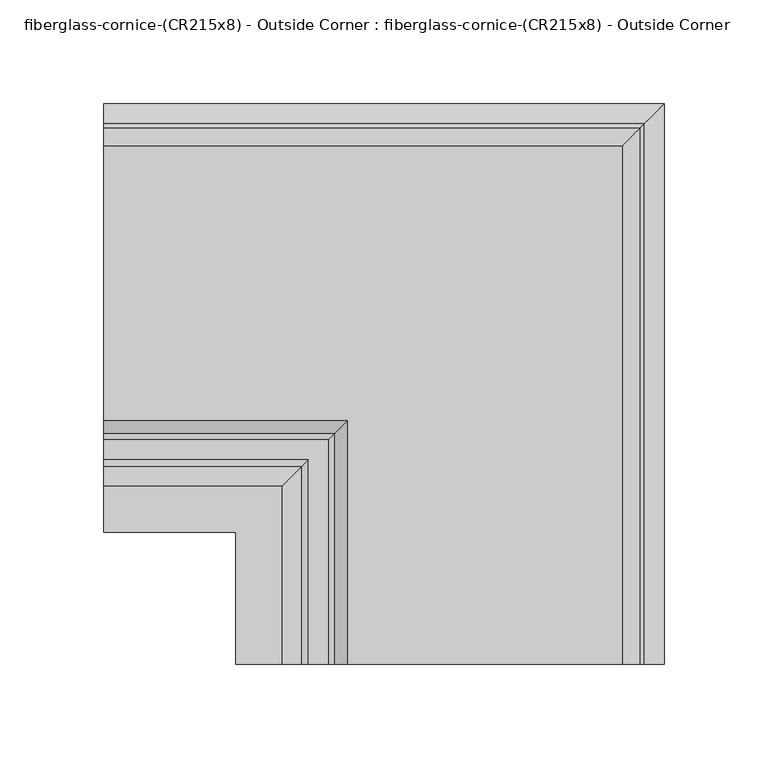
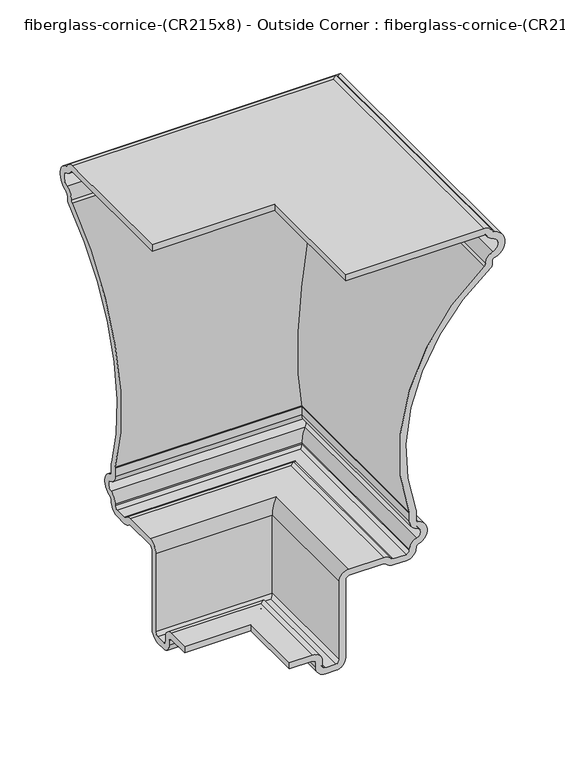
"""IFC4 building model written with IfcOpenShell, lengths in millimetres: furniture geometry, fiberglass-cornice-(CR215x8) - Outside Corner : fiberglass-cornice-(CR215x8) - Outside Corner."""

from ifc_helpers import new_model, si_unit, frame, origin, place, context, project, spatial, polyline, circle_curve, ellipse_curve, source, transform, mapped, element, save
from ifc_brep_helpers import plane_surface, cylinder_surface, revolved_surface, advanced_brep


def fiberglass_cornice_cr215x8_outside_corner_fiberglass_cornice_a7be8b15(model_context):
    return source(origin(), model_context, "Body", "AdvancedBrep", [
        advanced_brep(
        [(-196.9488213, 288.0664507, 330.1999904), (-196.9488213, 296.5068607, 325.0891838), (-196.9488213, 298.4826795, 323.4980719), (-196.9488213, 298.4826795, 297.677331), (-196.9488213, 296.1453307, 294.6148214), (-196.9488213, 296.1453307, 290.8692838), (-196.9488213, 294.8166104, 288.2862862), (-196.9488213, 223.0000766, 68.5084098), (-196.9488213, 223.1598159, 67.5140115), (-196.9488213, 223.1598159, 58.2311008), (-196.9488213, 225.5074249, 55.1658033), (-196.9488213, 225.5074249, 32.9172717), (-196.9488213, 223.1598159, 29.8519741), (-196.9488213, 223.1003256, 28.2040064), (-196.9488213, 213.6348159, 19.7419033), (-196.9488213, 201.5677715, 19.7419033), (-196.9488213, 194.4194595, 22.9718846), (-196.9488213, 192.0366888, 24.048545), (-196.9488213, 158.8834412, 24.048545), (-196.9488213, 155.7084412, 20.873545), (-196.9488213, 155.7084412, -58.304862), (-196.9488213, 146.1834412, -67.829862), (-196.9488213, 136.525, -67.829862), (-196.9488213, 127.0, -58.304862), (-196.9488213, 127.0, -53.9258182), (-196.9488213, 123.825, -50.7508182), (-196.9488213, 101.6, -50.7508182), (-196.9488213, 101.6, -44.4008182), (-196.9488213, 123.825, -44.4008182), (-196.9488213, 133.35, -53.9258182), (-196.9488213, 133.35, -58.304862), (-196.9488213, 136.525, -61.479862), (-196.9488213, 146.1834412, -61.479862), (-196.9488213, 149.3584412, -58.304862), (-196.9488213, 149.3584412, 20.873545), (-196.9488213, 158.8834412, 30.398545), (-196.9488213, 192.0366888, 30.398545), (-196.9488213, 199.1850008, 27.1685637), (-196.9488213, 201.5677715, 26.0919033), (-196.9488213, 213.6348159, 26.0919033), (-196.9488213, 216.7459462, 28.6332686), (-196.9488213, 216.8098159, 29.8519741), (-196.9488213, 223.8526428, 39.0478668), (-196.9488213, 223.8526428, 49.0352082), (-196.9488213, 216.8098159, 58.2311008), (-196.9488213, 216.8098159, 66.5021977), (-196.9488213, 216.6550347, 67.4814337), (-196.9488213, 288.5177042, 291.5576289), (-196.9488213, 289.802836, 294.2367745), (-196.9488213, 296.8073771, 303.8023503), (-196.9488213, 296.8073771, 317.3730526), (-196.9488213, 290.8799207, 322.1463882), (-196.9488213, 288.0664507, 323.8499904), (-196.9488213, 155.7084412, 323.8499904), (-196.9488213, 155.7084412, 330.1999904), (53.1168481, 38.0007813, 330.1999904), (-79.2411614, 38.0007813, 330.1999904), (-79.2411614, 38.0007813, 323.8499904), (53.1168481, 38.0007813, 323.8499904), (55.9303181, 38.0007813, 322.1463882), (61.8577745, 38.0007813, 317.3730526), (61.8577745, 38.0007813, 303.8023503), (54.8532334, 38.0007813, 294.2367745), (53.5681016, 38.0007813, 291.5576289), (-18.2945679, 38.0007813, 67.4814337), (-18.1397867, 38.0007813, 66.5021977), (-18.1397867, 38.0007813, 58.2311008), (-11.0969598, 38.0007813, 49.0352082), (-11.0969598, 38.0007813, 39.0478668), (-18.1397867, 38.0007813, 29.8519741), (-18.2036564, 38.0007813, 28.6332686), (-21.3147867, 38.0007813, 26.0919033), (-33.3818311, 38.0007813, 26.0919033), (-35.7646018, 38.0007813, 27.1685637), (-42.9129138, 38.0007813, 30.398545), (-76.0661614, 38.0007813, 30.398545), (-85.5911614, 38.0007813, 20.873545), (-85.5911614, 38.0007813, -58.304862), (-88.7661614, 38.0007813, -61.479862), (-98.4246026, 38.0007813, -61.479862), (-101.5996026, 38.0007813, -58.304862), (-101.5996026, 38.0007813, -53.9258182), (-111.1246026, 38.0007813, -44.4008182), (-133.3496026, 38.0007813, -44.4008182), (-133.3496026, 38.0007813, -50.7508182), (-111.1246026, 38.0007813, -50.7508182), (-107.9496026, 38.0007813, -53.9258182), (-107.9496026, 38.0007813, -58.304862), (-98.4246026, 38.0007813, -67.829862), (-88.7661614, 38.0007813, -67.829862), (-79.2411614, 38.0007813, -58.304862), (-79.2411614, 38.0007813, 20.873545), (-76.0661614, 38.0007813, 24.048545), (-42.9129138, 38.0007813, 24.048545), (-40.5301431, 38.0007813, 22.9718846), (-33.3818311, 38.0007813, 19.7419033), (-21.3147867, 38.0007813, 19.7419033), (-11.849277, 38.0007813, 28.2040064), (-11.7897867, 38.0007813, 29.8519741), (-9.4421777, 38.0007813, 32.9172717), (-9.4421777, 38.0007813, 55.1658033), (-11.7897867, 38.0007813, 58.2311008), (-11.7897867, 38.0007813, 67.5140115), (-11.949526, 38.0007813, 68.5084098), (59.8670078, 38.0007813, 288.2862862), (61.1957281, 38.0007813, 290.8692838), (61.1957281, 38.0007813, 294.6148214), (63.5330769, 38.0007813, 297.677331), (63.5330769, 38.0007813, 323.4980719), (61.5572581, 38.0007813, 325.0891838), (53.1168481, 288.0664507, 330.1999904), (61.5572581, 296.5068607, 325.0891838), (63.5330769, 298.4826795, 323.4980719), (63.5330769, 298.4826795, 297.677331), (61.1957281, 296.1453307, 294.6148214), (61.1957281, 296.1453307, 290.8692838), (59.8670078, 294.8166104, 288.2862862), (-11.949526, 223.0000766, 68.5084098), (-11.7897867, 223.1598159, 67.5140115), (-11.7897867, 223.1598159, 58.2311008), (-9.4421777, 225.5074249, 55.1658033), (-9.4421777, 225.5074249, 32.9172717), (-11.7897867, 223.1598159, 29.8519741), (-11.849277, 223.1003256, 28.2040064), (-21.3147867, 213.6348159, 19.7419033), (-33.3818311, 201.5677715, 19.7419033), (-40.5301431, 194.4194595, 22.9718846), (-42.9129138, 192.0366888, 24.048545), (-76.0661614, 158.8834412, 24.048545), (-79.2411614, 155.7084412, 20.873545), (-79.2411614, 155.7084412, -58.304862), (-88.7661614, 146.1834412, -67.829862), (-98.4246026, 136.525, -67.829862), (-107.9496026, 127.0, -58.304862), (-107.9496026, 127.0, -53.9258182), (-111.1246026, 123.825, -50.7508182), (-133.3496026, 101.6, -50.7508182), (-133.3496026, 101.6, -44.4008182), (-111.1246026, 123.825, -44.4008182), (-101.5996026, 133.35, -53.9258182), (-101.5996026, 133.35, -58.304862), (-98.4246026, 136.525, -61.479862), (-88.7661614, 146.1834412, -61.479862), (-85.5911614, 149.3584412, -58.304862), (-85.5911614, 149.3584412, 20.873545), (-76.0661614, 158.8834412, 30.398545), (-42.9129138, 192.0366888, 30.398545), (-35.7646018, 199.1850008, 27.1685637), (-33.3818311, 201.5677715, 26.0919033), (-21.3147867, 213.6348159, 26.0919033), (-18.2036564, 216.7459462, 28.6332686), (-18.1397867, 216.8098159, 29.8519741), (-11.0969598, 223.8526428, 39.0478668), (-11.0969598, 223.8526428, 49.0352082), (-18.1397867, 216.8098159, 58.2311008), (-18.1397867, 216.8098159, 66.5021977), (-18.2945679, 216.6550347, 67.4814337), (53.5681016, 288.5177042, 291.5576289), (54.8532334, 289.802836, 294.2367745), (61.8577745, 296.8073771, 303.8023503), (61.8577745, 296.8073771, 317.3730526), (55.9303181, 290.8799207, 322.1463882), (53.1168481, 288.0664507, 323.8499904), (-79.2411614, 155.7084412, 323.8499904), (-79.2411614, 155.7084412, 330.1999904)],
        [
            (0, 1, circle_curve(frame((-196.9488213, 288.0664507, 320.6749904), z_axis=(-1.0, 0.0, 0.0), x_axis=(0.0, 1.0, 0.0)), 9.525)),
            (1, 2, circle_curve(frame((-196.9488213, 299.3203307, 326.5605816), z_axis=(1.0, 0.0, 0.0), x_axis=(0.0, 1.0, 0.0)), 3.175)),
            (2, 3, circle_curve(frame((-196.9488213, 294.9514621, 310.5877015), z_axis=(-1.0, 0.0, 0.0), x_axis=(0.0, 1.0, 0.0)), 13.3845867)),
            (3, 4, circle_curve(frame((-196.9488213, 299.3203307, 294.6148214), z_axis=(1.0, 0.0, 0.0), x_axis=(0.0, 1.0, 0.0)), 3.175)),
            (4, 5),
            (5, 6, circle_curve(frame((-196.9488213, 292.9703307, 290.8692838), z_axis=(-1.0, 0.0, 0.0), x_axis=(0.0, 1.0, 0.0)), 3.175)),
            (6, 7, circle_curve(frame((-196.9488213, 408.2430896, 129.5994252), z_axis=(1.0, 0.0, 0.0), x_axis=(0.0, 1.0, 0.0)), 195.0566226)),
            (7, 8, circle_curve(frame((-196.9488213, 219.9848159, 67.5140115), z_axis=(-1.0, 0.0, 0.0), x_axis=(0.0, 1.0, 0.0)), 3.175)),
            (8, 9),
            (9, 10, circle_curve(frame((-196.9488213, 226.3348159, 58.2311008), z_axis=(1.0, 0.0, 0.0), x_axis=(0.0, 1.0, 0.0)), 3.175)),
            (10, 11, circle_curve(frame((-196.9488213, 222.5047417, 44.0415375), z_axis=(-1.0, 0.0, 0.0), x_axis=(0.0, 1.0, 0.0)), 11.5223867)),
            (11, 12, circle_curve(frame((-196.9488213, 226.3348159, 29.8519741), z_axis=(1.0, 0.0, 0.0), x_axis=(0.0, 1.0, 0.0)), 3.175)),
            (12, 13),
            (13, 14, circle_curve(frame((-196.9488213, 213.6348159, 29.2669033), z_axis=(-1.0, 0.0, 0.0), x_axis=(0.0, 1.0, 0.0)), 9.525)),
            (14, 15),
            (15, 16, circle_curve(frame((-196.9488213, 201.5677715, 29.2669033), z_axis=(-1.0, 0.0, 0.0), x_axis=(0.0, 1.0, 0.0)), 9.525)),
            (16, 17, circle_curve(frame((-196.9488213, 192.0366888, 20.873545), z_axis=(1.0, 0.0, 0.0), x_axis=(0.0, 1.0, 0.0)), 3.175)),
            (17, 18),
            (18, 19, circle_curve(frame((-196.9488213, 158.8834412, 20.873545), z_axis=(1.0, 0.0, 0.0), x_axis=(0.0, 1.0, 0.0)), 3.175)),
            (19, 20),
            (20, 21, circle_curve(frame((-196.9488213, 146.1834412, -58.304862), z_axis=(-1.0, 0.0, 0.0), x_axis=(0.0, 1.0, 0.0)), 9.525)),
            (21, 22),
            (22, 23, circle_curve(frame((-196.9488213, 136.525, -58.304862), z_axis=(-1.0, 0.0, 0.0), x_axis=(0.0, 1.0, 0.0)), 9.525)),
            (23, 24),
            (24, 25, circle_curve(frame((-196.9488213, 123.825, -53.9258182), z_axis=(1.0, 0.0, 0.0), x_axis=(0.0, 1.0, 0.0)), 3.175)),
            (25, 26),
            (26, 27),
            (27, 28),
            (28, 29, circle_curve(frame((-196.9488213, 123.825, -53.9258182), z_axis=(-1.0, 0.0, 0.0), x_axis=(0.0, 1.0, 0.0)), 9.525)),
            (29, 30),
            (30, 31, circle_curve(frame((-196.9488213, 136.525, -58.304862), z_axis=(1.0, 0.0, 0.0), x_axis=(0.0, 1.0, 0.0)), 3.175)),
            (31, 32),
            (32, 33, circle_curve(frame((-196.9488213, 146.1834412, -58.304862), z_axis=(1.0, 0.0, 0.0), x_axis=(0.0, 1.0, 0.0)), 3.175)),
            (33, 34),
            (34, 35, circle_curve(frame((-196.9488213, 158.8834412, 20.873545), z_axis=(-1.0, 0.0, 0.0), x_axis=(0.0, 1.0, 0.0)), 9.525)),
            (35, 36),
            (36, 37, circle_curve(frame((-196.9488213, 192.0366888, 20.873545), z_axis=(-1.0, 0.0, 0.0), x_axis=(0.0, 1.0, 0.0)), 9.525)),
            (37, 38, circle_curve(frame((-196.9488213, 201.5677715, 29.2669033), z_axis=(1.0, 0.0, 0.0), x_axis=(0.0, 1.0, 0.0)), 3.175)),
            (38, 39),
            (39, 40, circle_curve(frame((-196.9488213, 213.6348159, 29.2669033), z_axis=(1.0, 0.0, 0.0), x_axis=(0.0, 1.0, 0.0)), 3.175)),
            (40, 41),
            (41, 42, circle_curve(frame((-196.9488213, 226.3348159, 29.8519741), z_axis=(-1.0, 0.0, 0.0), x_axis=(0.0, 1.0, 0.0)), 9.525)),
            (42, 43, circle_curve(frame((-196.9488213, 222.5047417, 44.0415375), z_axis=(1.0, 0.0, 0.0), x_axis=(0.0, 1.0, 0.0)), 5.1723867)),
            (43, 44, circle_curve(frame((-196.9488213, 226.3348159, 58.2311008), z_axis=(-1.0, 0.0, 0.0), x_axis=(0.0, 1.0, 0.0)), 9.525)),
            (44, 45),
            (45, 46, circle_curve(frame((-196.9488213, 213.6348159, 66.5021977), z_axis=(1.0, 0.0, 0.0), x_axis=(0.0, 1.0, 0.0)), 3.175)),
            (46, 47, circle_curve(frame((-196.9488213, 408.2430896, 129.5994252), z_axis=(-1.0, 0.0, 0.0), x_axis=(0.0, 1.0, 0.0)), 201.4066226)),
            (47, 48, circle_curve(frame((-196.9488213, 286.6303378, 294.1107589), z_axis=(1.0, 0.0, 0.0), x_axis=(0.0, 1.0, 0.0)), 3.175)),
            (48, 49, circle_curve(frame((-196.9488213, 299.3203307, 294.6148214), z_axis=(-1.0, 0.0, 0.0), x_axis=(0.0, 1.0, 0.0)), 9.525)),
            (49, 50, circle_curve(frame((-196.9488213, 294.9514621, 310.5877015), z_axis=(1.0, 0.0, 0.0), x_axis=(0.0, 1.0, 0.0)), 7.0345867)),
            (50, 51, circle_curve(frame((-196.9488213, 299.3203307, 326.5605816), z_axis=(-1.0, 0.0, 0.0), x_axis=(0.0, 1.0, 0.0)), 9.525)),
            (51, 52, circle_curve(frame((-196.9488213, 288.0664507, 320.6749904), z_axis=(1.0, 0.0, 0.0), x_axis=(0.0, 1.0, 0.0)), 3.175)),
            (52, 53),
            (53, 54),
            (54, 0),
            (55, 56),
            (56, 57),
            (57, 58),
            (58, 59, circle_curve(frame((53.1168481, 38.0007813, 320.6749904), z_axis=(0.0, 1.0, 0.0), x_axis=(1.0, 0.0, 0.0)), 3.175)),
            (59, 60, circle_curve(frame((64.3707281, 38.0007813, 326.5605816), z_axis=(0.0, -1.0, 0.0), x_axis=(1.0, 0.0, 0.0)), 9.525)),
            (60, 61, circle_curve(frame((60.0018595, 38.0007813, 310.5877015), z_axis=(0.0, 1.0, 0.0), x_axis=(1.0, 0.0, 0.0)), 7.0345867)),
            (61, 62, circle_curve(frame((64.3707281, 38.0007813, 294.6148214), z_axis=(0.0, -1.0, 0.0), x_axis=(1.0, 0.0, 0.0)), 9.525)),
            (62, 63, circle_curve(frame((51.6807352, 38.0007813, 294.1107589), z_axis=(0.0, 1.0, 0.0), x_axis=(1.0, 0.0, 0.0)), 3.175)),
            (63, 64, circle_curve(frame((173.293487, 38.0007813, 129.5994252), z_axis=(0.0, -1.0, 0.0), x_axis=(1.0, 0.0, 0.0)), 201.4066226)),
            (64, 65, circle_curve(frame((-21.3147867, 38.0007813, 66.5021977), z_axis=(0.0, 1.0, 0.0), x_axis=(1.0, 0.0, 0.0)), 3.175)),
            (65, 66),
            (66, 67, circle_curve(frame((-8.6147867, 38.0007813, 58.2311008), z_axis=(0.0, -1.0, 0.0), x_axis=(1.0, 0.0, 0.0)), 9.525)),
            (67, 68, circle_curve(frame((-12.4448609, 38.0007813, 44.0415375), z_axis=(0.0, 1.0, 0.0), x_axis=(1.0, 0.0, 0.0)), 5.1723867)),
            (68, 69, circle_curve(frame((-8.6147867, 38.0007813, 29.8519741), z_axis=(0.0, -1.0, 0.0), x_axis=(1.0, 0.0, 0.0)), 9.525)),
            (69, 70),
            (70, 71, circle_curve(frame((-21.3147867, 38.0007813, 29.2669033), z_axis=(0.0, 1.0, 0.0), x_axis=(1.0, 0.0, 0.0)), 3.175)),
            (71, 72),
            (72, 73, circle_curve(frame((-33.3818311, 38.0007813, 29.2669033), z_axis=(0.0, 1.0, 0.0), x_axis=(1.0, 0.0, 0.0)), 3.175)),
            (73, 74, circle_curve(frame((-42.9129138, 38.0007813, 20.873545), z_axis=(0.0, -1.0, 0.0), x_axis=(1.0, 0.0, 0.0)), 9.525)),
            (74, 75),
            (75, 76, circle_curve(frame((-76.0661614, 38.0007813, 20.873545), z_axis=(0.0, -1.0, 0.0), x_axis=(1.0, 0.0, 0.0)), 9.525)),
            (76, 77),
            (77, 78, circle_curve(frame((-88.7661614, 38.0007813, -58.304862), z_axis=(0.0, 1.0, 0.0), x_axis=(1.0, 0.0, 0.0)), 3.175)),
            (78, 79),
            (79, 80, circle_curve(frame((-98.4246026, 38.0007813, -58.304862), z_axis=(0.0, 1.0, 0.0), x_axis=(1.0, 0.0, 0.0)), 3.175)),
            (80, 81),
            (81, 82, circle_curve(frame((-111.1246026, 38.0007813, -53.9258182), z_axis=(0.0, -1.0, 0.0), x_axis=(1.0, 0.0, 0.0)), 9.525)),
            (82, 83),
            (83, 84),
            (84, 85),
            (85, 86, circle_curve(frame((-111.1246026, 38.0007813, -53.9258182), z_axis=(0.0, 1.0, 0.0), x_axis=(1.0, 0.0, 0.0)), 3.175)),
            (86, 87),
            (87, 88, circle_curve(frame((-98.4246026, 38.0007813, -58.304862), z_axis=(0.0, -1.0, 0.0), x_axis=(1.0, 0.0, 0.0)), 9.525)),
            (88, 89),
            (89, 90, circle_curve(frame((-88.7661614, 38.0007813, -58.304862), z_axis=(0.0, -1.0, 0.0), x_axis=(1.0, 0.0, 0.0)), 9.525)),
            (90, 91),
            (91, 92, circle_curve(frame((-76.0661614, 38.0007813, 20.873545), z_axis=(0.0, 1.0, 0.0), x_axis=(1.0, 0.0, 0.0)), 3.175)),
            (92, 93),
            (93, 94, circle_curve(frame((-42.9129138, 38.0007813, 20.873545), z_axis=(0.0, 1.0, 0.0), x_axis=(1.0, 0.0, 0.0)), 3.175)),
            (94, 95, circle_curve(frame((-33.3818311, 38.0007813, 29.2669033), z_axis=(0.0, -1.0, 0.0), x_axis=(1.0, 0.0, 0.0)), 9.525)),
            (95, 96),
            (96, 97, circle_curve(frame((-21.3147867, 38.0007813, 29.2669033), z_axis=(0.0, -1.0, 0.0), x_axis=(1.0, 0.0, 0.0)), 9.525)),
            (97, 98),
            (98, 99, circle_curve(frame((-8.6147867, 38.0007813, 29.8519741), z_axis=(0.0, 1.0, 0.0), x_axis=(1.0, 0.0, 0.0)), 3.175)),
            (99, 100, circle_curve(frame((-12.4448609, 38.0007813, 44.0415375), z_axis=(0.0, -1.0, 0.0), x_axis=(1.0, 0.0, 0.0)), 11.5223867)),
            (100, 101, circle_curve(frame((-8.6147867, 38.0007813, 58.2311008), z_axis=(0.0, 1.0, 0.0), x_axis=(1.0, 0.0, 0.0)), 3.175)),
            (101, 102),
            (102, 103, circle_curve(frame((-14.9647867, 38.0007813, 67.5140115), z_axis=(0.0, -1.0, 0.0), x_axis=(1.0, 0.0, 0.0)), 3.175)),
            (103, 104, circle_curve(frame((173.293487, 38.0007813, 129.5994252), z_axis=(0.0, 1.0, 0.0), x_axis=(1.0, 0.0, 0.0)), 195.0566226)),
            (104, 105, circle_curve(frame((58.0207281, 38.0007813, 290.8692838), z_axis=(0.0, -1.0, 0.0), x_axis=(1.0, 0.0, 0.0)), 3.175)),
            (105, 106),
            (106, 107, circle_curve(frame((64.3707281, 38.0007813, 294.6148214), z_axis=(0.0, 1.0, 0.0), x_axis=(1.0, 0.0, 0.0)), 3.175)),
            (107, 108, circle_curve(frame((60.0018595, 38.0007813, 310.5877015), z_axis=(0.0, -1.0, 0.0), x_axis=(1.0, 0.0, 0.0)), 13.3845867)),
            (108, 109, circle_curve(frame((64.3707281, 38.0007813, 326.5605816), z_axis=(0.0, 1.0, 0.0), x_axis=(1.0, 0.0, 0.0)), 3.175)),
            (109, 55, circle_curve(frame((53.1168481, 38.0007813, 320.6749904), z_axis=(0.0, -1.0, 0.0), x_axis=(1.0, 0.0, 0.0)), 9.525)),
            (0, 110),
            (110, 111, ellipse_curve(frame((53.1168481, 288.0664507, 320.6749904), z_axis=(-0.7071067811865563, 0.7071067811865387, 0.0), x_axis=(-0.7071067811865387, -0.7071067811865565, 0.0)), 13.4703842, 9.525)),
            (111, 1),
            (111, 112, ellipse_curve(frame((64.3707281, 299.3203307, 326.5605816), z_axis=(0.7071067811865563, -0.7071067811865387, 0.0), x_axis=(0.7071067811865387, 0.7071067811865565, 0.0)), 4.4901281, 3.175)),
            (112, 2),
            (112, 113, ellipse_curve(frame((60.0018595, 294.9514621, 310.5877015), z_axis=(-0.7071067811865563, 0.7071067811865387, 0.0), x_axis=(-0.7071067811865387, -0.7071067811865565, 0.0)), 18.9286641, 13.3845867)),
            (113, 3),
            (113, 114, ellipse_curve(frame((64.3707281, 299.3203307, 294.6148214), z_axis=(0.7071067811865563, -0.7071067811865387, 0.0), x_axis=(0.7071067811865387, 0.7071067811865565, 0.0)), 4.4901281, 3.175)),
            (114, 4),
            (114, 115),
            (115, 5),
            (115, 116, ellipse_curve(frame((58.0207281, 292.9703307, 290.8692838), z_axis=(-0.7071067811865563, 0.7071067811865387, 0.0), x_axis=(-0.7071067811865387, -0.7071067811865565, 0.0)), 4.4901281, 3.175)),
            (116, 6),
            (116, 117, ellipse_curve(frame((173.293487, 408.2430896, 129.5994252), z_axis=(0.7071067811865563, -0.7071067811865387, 0.0), x_axis=(0.7071067811865387, 0.7071067811865565, 0.0)), 275.8517212, 195.0566226)),
            (117, 7),
            (117, 118, ellipse_curve(frame((-14.9647867, 219.9848159, 67.5140115), z_axis=(-0.7071067811865563, 0.7071067811865387, 0.0), x_axis=(-0.7071067811865387, -0.7071067811865565, 0.0)), 4.4901281, 3.175)),
            (118, 8),
            (118, 119),
            (119, 9),
            (119, 120, ellipse_curve(frame((-8.6147867, 226.3348159, 58.2311008), z_axis=(0.7071067811865563, -0.7071067811865387, 0.0), x_axis=(0.7071067811865387, 0.7071067811865565, 0.0)), 4.4901281, 3.175)),
            (120, 10),
            (120, 121, ellipse_curve(frame((-12.4448609, 222.5047417, 44.0415375), z_axis=(-0.7071067811865563, 0.7071067811865387, 0.0), x_axis=(-0.7071067811865387, -0.7071067811865565, 0.0)), 16.2951156, 11.5223867)),
            (121, 11),
            (121, 122, ellipse_curve(frame((-8.6147867, 226.3348159, 29.8519741), z_axis=(0.7071067811865563, -0.7071067811865387, 0.0), x_axis=(0.7071067811865387, 0.7071067811865565, 0.0)), 4.4901281, 3.175)),
            (122, 12),
            (122, 123),
            (123, 13),
            (123, 124, ellipse_curve(frame((-21.3147867, 213.6348159, 29.2669033), z_axis=(-0.7071067811865563, 0.7071067811865387, 0.0), x_axis=(-0.7071067811865387, -0.7071067811865565, 0.0)), 13.4703842, 9.525)),
            (124, 14),
            (124, 96),
            (95, 125),
            (125, 15),
            (125, 126, ellipse_curve(frame((-33.3818311, 201.5677715, 29.2669033), z_axis=(-0.7071067811865563, 0.7071067811865387, 0.0), x_axis=(-0.7071067811865387, -0.7071067811865565, 0.0)), 13.4703842, 9.525)),
            (126, 16),
            (126, 127, ellipse_curve(frame((-42.9129138, 192.0366888, 20.873545), z_axis=(0.7071067811865563, -0.7071067811865387, 0.0), x_axis=(0.7071067811865387, 0.7071067811865565, 0.0)), 4.4901281, 3.175)),
            (127, 17),
            (127, 93),
            (92, 128),
            (128, 18),
            (128, 129, ellipse_curve(frame((-76.0661614, 158.8834412, 20.873545), z_axis=(0.7071067811865563, -0.7071067811865387, 0.0), x_axis=(0.7071067811865387, 0.7071067811865565, 0.0)), 4.4901281, 3.175)),
            (129, 19),
            (129, 130),
            (130, 20),
            (130, 131, ellipse_curve(frame((-88.7661614, 146.1834412, -58.304862), z_axis=(-0.7071067811865563, 0.7071067811865387, 0.0), x_axis=(-0.7071067811865387, -0.7071067811865565, 0.0)), 13.4703842, 9.525)),
            (131, 21),
            (131, 89),
            (88, 132),
            (132, 22),
            (132, 133, ellipse_curve(frame((-98.4246026, 136.525, -58.304862), z_axis=(-0.7071067811865563, 0.7071067811865387, 0.0), x_axis=(-0.7071067811865387, -0.7071067811865565, 0.0)), 13.4703842, 9.525)),
            (133, 23),
            (133, 134),
            (134, 24),
            (134, 135, ellipse_curve(frame((-111.1246026, 123.825, -53.9258182), z_axis=(0.7071067811865563, -0.7071067811865387, 0.0), x_axis=(0.7071067811865387, 0.7071067811865565, 0.0)), 4.4901281, 3.175)),
            (135, 25),
            (135, 85),
            (84, 136),
            (136, 26),
            (136, 137),
            (137, 27),
            (137, 83),
            (82, 138),
            (138, 28),
            (138, 139, ellipse_curve(frame((-111.1246026, 123.825, -53.9258182), z_axis=(-0.7071067811865563, 0.7071067811865387, 0.0), x_axis=(-0.7071067811865387, -0.7071067811865565, 0.0)), 13.4703842, 9.525)),
            (139, 29),
            (139, 140),
            (140, 30),
            (140, 141, ellipse_curve(frame((-98.4246026, 136.525, -58.304862), z_axis=(0.7071067811865563, -0.7071067811865387, 0.0), x_axis=(0.7071067811865387, 0.7071067811865565, 0.0)), 4.4901281, 3.175)),
            (141, 31),
            (141, 79),
            (78, 142),
            (142, 32),
            (142, 143, ellipse_curve(frame((-88.7661614, 146.1834412, -58.304862), z_axis=(0.7071067811865563, -0.7071067811865387, 0.0), x_axis=(0.7071067811865387, 0.7071067811865565, 0.0)), 4.4901281, 3.175)),
            (143, 33),
            (143, 144),
            (144, 34),
            (144, 145, ellipse_curve(frame((-76.0661614, 158.8834412, 20.873545), z_axis=(-0.7071067811865563, 0.7071067811865387, 0.0), x_axis=(-0.7071067811865387, -0.7071067811865565, 0.0)), 13.4703842, 9.525)),
            (145, 35),
            (145, 75),
            (74, 146),
            (146, 36),
            (146, 147, ellipse_curve(frame((-42.9129138, 192.0366888, 20.873545), z_axis=(-0.7071067811865563, 0.7071067811865387, 0.0), x_axis=(-0.7071067811865387, -0.7071067811865565, 0.0)), 13.4703842, 9.525)),
            (147, 37),
            (147, 148, ellipse_curve(frame((-33.3818311, 201.5677715, 29.2669033), z_axis=(0.7071067811865563, -0.7071067811865387, 0.0), x_axis=(0.7071067811865387, 0.7071067811865565, 0.0)), 4.4901281, 3.175)),
            (148, 38),
            (148, 72),
            (71, 149),
            (149, 39),
            (149, 150, ellipse_curve(frame((-21.3147867, 213.6348159, 29.2669033), z_axis=(0.7071067811865563, -0.7071067811865387, 0.0), x_axis=(0.7071067811865387, 0.7071067811865565, 0.0)), 4.4901281, 3.175)),
            (150, 40),
            (150, 151),
            (151, 41),
            (151, 152, ellipse_curve(frame((-8.6147867, 226.3348159, 29.8519741), z_axis=(-0.7071067811865563, 0.7071067811865387, 0.0), x_axis=(-0.7071067811865387, -0.7071067811865565, 0.0)), 13.4703842, 9.525)),
            (152, 42),
            (152, 153, ellipse_curve(frame((-12.4448609, 222.5047417, 44.0415375), z_axis=(0.7071067811865563, -0.7071067811865387, 0.0), x_axis=(0.7071067811865387, 0.7071067811865565, 0.0)), 7.3148595, 5.1723867)),
            (153, 43),
            (153, 154, ellipse_curve(frame((-8.6147867, 226.3348159, 58.2311008), z_axis=(-0.7071067811865563, 0.7071067811865387, 0.0), x_axis=(-0.7071067811865387, -0.7071067811865565, 0.0)), 13.4703842, 9.525)),
            (154, 44),
            (154, 155),
            (155, 45),
            (155, 156, ellipse_curve(frame((-21.3147867, 213.6348159, 66.5021977), z_axis=(0.7071067811865563, -0.7071067811865387, 0.0), x_axis=(0.7071067811865387, 0.7071067811865565, 0.0)), 4.4901281, 3.175)),
            (156, 46),
            (156, 157, ellipse_curve(frame((173.293487, 408.2430896, 129.5994252), z_axis=(-0.7071067811865563, 0.7071067811865387, 0.0), x_axis=(-0.7071067811865387, -0.7071067811865565, 0.0)), 284.8319773, 201.4066226)),
            (157, 47),
            (157, 158, ellipse_curve(frame((51.6807352, 286.6303378, 294.1107589), z_axis=(0.7071067811865563, -0.7071067811865387, 0.0), x_axis=(0.7071067811865387, 0.7071067811865565, 0.0)), 4.4901281, 3.175)),
            (158, 48),
            (158, 159, ellipse_curve(frame((64.3707281, 299.3203307, 294.6148214), z_axis=(-0.7071067811865563, 0.7071067811865387, 0.0), x_axis=(-0.7071067811865387, -0.7071067811865565, 0.0)), 13.4703842, 9.525)),
            (159, 49),
            (159, 160, ellipse_curve(frame((60.0018595, 294.9514621, 310.5877015), z_axis=(0.7071067811865563, -0.7071067811865387, 0.0), x_axis=(0.7071067811865387, 0.7071067811865565, 0.0)), 9.948408, 7.0345867)),
            (160, 50),
            (160, 161, ellipse_curve(frame((64.3707281, 299.3203307, 326.5605816), z_axis=(-0.7071067811865563, 0.7071067811865387, 0.0), x_axis=(-0.7071067811865387, -0.7071067811865565, 0.0)), 13.4703842, 9.525)),
            (161, 51),
            (161, 162, ellipse_curve(frame((53.1168481, 288.0664507, 320.6749904), z_axis=(0.7071067811865563, -0.7071067811865387, 0.0), x_axis=(0.7071067811865387, 0.7071067811865565, 0.0)), 4.4901281, 3.175)),
            (162, 52),
            (162, 58),
            (57, 163),
            (163, 53),
            (163, 164),
            (164, 54),
            (164, 56),
            (55, 110),
            (109, 111),
            (108, 112),
            (107, 113),
            (106, 114),
            (105, 115),
            (104, 116),
            (103, 117),
            (102, 118),
            (101, 119),
            (100, 120),
            (99, 121),
            (98, 122),
            (97, 123),
            (94, 126),
            (91, 129),
            (90, 130),
            (87, 133),
            (86, 134),
            (81, 139),
            (80, 140),
            (77, 143),
            (76, 144),
            (73, 147),
            (70, 150),
            (69, 151),
            (68, 152),
            (67, 153),
            (66, 154),
            (65, 155),
            (64, 156),
            (63, 157),
            (62, 158),
            (61, 159),
            (60, 160),
            (59, 161),
        ],
        [
            plane_surface(frame((-196.9488213, 101.6, 330.1999904), z_axis=(-1.0, 0.0, 0.0), x_axis=(0.0, 0.0, 1.0))),
            plane_surface(frame((-133.3496026, 38.0007813, 330.1999904), z_axis=(0.0, -1.0, 0.0), x_axis=(0.0, 0.0, 1.0))),
            cylinder_surface(frame((-196.9488213, 288.0664507, 320.6749904), z_axis=(-1.0, 0.0, 0.0), x_axis=(0.0, 1.0, 0.0)), 9.525),
            revolved_surface(polyline([(67.54572812790619, 302.4953307, 326.5605816), (-196.9488213, 302.4953307, 326.5605816)]), (-196.9488213, 299.3203307, 326.5605816), (1.0, 0.0, 0.0)),
            cylinder_surface(frame((-196.9488213, 294.9514621, 310.5877015), z_axis=(-1.0, 0.0, 0.0), x_axis=(0.0, 1.0, 0.0)), 13.3845867),
            revolved_surface(polyline([(67.54572812790619, 302.4953307, 294.6148214), (-196.9488213, 302.4953307, 294.6148214)]), (-196.9488213, 299.3203307, 294.6148214), (1.0, 0.0, 0.0)),
            plane_surface(frame((-196.9488213, 296.1453307, 294.6148214), z_axis=(0.0, 1.0, 0.0), x_axis=(1.0, 0.0, 0.0))),
            cylinder_surface(frame((-196.9488213, 292.9703307, 290.8692838), z_axis=(-1.0, 0.0, 0.0), x_axis=(0.0, 1.0, 0.0)), 3.175),
            revolved_surface(polyline([(368.3501096624984, 603.2997122, 129.5994252), (-196.9488213, 603.2997122, 129.5994252)]), (-196.9488213, 408.2430896, 129.5994252), (1.0, 0.0, 0.0)),
            cylinder_surface(frame((-196.9488213, 219.9848159, 67.5140115), z_axis=(-1.0, 0.0, 0.0), x_axis=(0.0, 1.0, 0.0)), 3.175),
            plane_surface(frame((-196.9488213, 223.1598159, 67.5140115), z_axis=(0.0, 1.0, 0.0), x_axis=(1.0, 0.0, 0.0))),
            revolved_surface(polyline([(-5.43978667209376, 229.5098159, 58.2311008), (-196.9488213, 229.5098159, 58.2311008)]), (-196.9488213, 226.3348159, 58.2311008), (1.0, 0.0, 0.0)),
            cylinder_surface(frame((-196.9488213, 222.5047417, 44.0415375), z_axis=(-1.0, 0.0, 0.0), x_axis=(0.0, 1.0, 0.0)), 11.5223867),
            revolved_surface(polyline([(-5.43978667209376, 229.5098159, 29.8519741), (-196.9488213, 229.5098159, 29.8519741)]), (-196.9488213, 226.3348159, 29.8519741), (1.0, 0.0, 0.0)),
            plane_surface(frame((-196.9488213, 223.1598159, 29.8519741), z_axis=(0.0, 0.9993490619458357, -0.036075648129704985), x_axis=(1.0, 0.0, 0.0))),
            cylinder_surface(frame((-196.9488213, 213.6348159, 29.2669033), z_axis=(-1.0, 0.0, 0.0), x_axis=(0.0, 1.0, 0.0)), 9.525),
            plane_surface(frame((-196.9488213, 213.6348159, 19.7419033), z_axis=(0.0, 0.0, -1.0), x_axis=(1.0, 0.0, 0.0))),
            cylinder_surface(frame((-196.9488213, 201.5677715, 29.2669033), z_axis=(-1.0, 0.0, 0.0), x_axis=(0.0, 1.0, 0.0)), 9.525),
            revolved_surface(polyline([(-39.73791377209375, 195.21168880000002, 20.873545), (-196.9488213, 195.21168880000002, 20.873545)]), (-196.9488213, 192.0366888, 20.873545), (1.0, 0.0, 0.0)),
            plane_surface(frame((-196.9488213, 192.0366888, 24.048545), z_axis=(0.0, 0.0, -1.0), x_axis=(1.0, 0.0, 0.0))),
            revolved_surface(polyline([(-72.89116137209378, 162.0584412, 20.873545), (-196.9488213, 162.0584412, 20.873545)]), (-196.9488213, 158.8834412, 20.873545), (1.0, 0.0, 0.0)),
            plane_surface(frame((-196.9488213, 155.7084412, 20.873545), z_axis=(0.0, 1.0, 0.0), x_axis=(1.0, 0.0, 0.0))),
            cylinder_surface(frame((-196.9488213, 146.1834412, -58.304862), z_axis=(-1.0, 0.0, 0.0), x_axis=(0.0, 1.0, 0.0)), 9.525),
            plane_surface(frame((-196.9488213, 146.1834412, -67.829862), z_axis=(0.0, 0.0, -1.0), x_axis=(1.0, 0.0, 0.0))),
            cylinder_surface(frame((-196.9488213, 136.525, -58.304862), z_axis=(-1.0, 0.0, 0.0), x_axis=(0.0, 1.0, 0.0)), 9.525),
            plane_surface(frame((-196.9488213, 127.0, -58.304862), z_axis=(0.0, -1.0, 0.0), x_axis=(1.0, 0.0, 0.0))),
            revolved_surface(polyline([(-107.94960257209378, 127.0, -53.9258182), (-196.9488213, 127.0, -53.9258182)]), (-196.9488213, 123.825, -53.9258182), (1.0, 0.0, 0.0)),
            plane_surface(frame((-196.9488213, 123.825, -50.7508182), z_axis=(0.0, 0.0, -1.0), x_axis=(1.0, 0.0, 0.0))),
            plane_surface(frame((-196.9488213, 101.6, -50.7508182), z_axis=(0.0, -1.0, 0.0), x_axis=(1.0, 0.0, 0.0))),
            plane_surface(frame((-196.9488213, 101.6, -44.4008182), z_axis=(0.0, 0.0, 1.0), x_axis=(1.0, 0.0, 0.0))),
            cylinder_surface(frame((-196.9488213, 123.825, -53.9258182), z_axis=(-1.0, 0.0, 0.0), x_axis=(0.0, 1.0, 0.0)), 9.525),
            plane_surface(frame((-196.9488213, 133.35, -53.9258182), z_axis=(0.0, 1.0, 0.0), x_axis=(1.0, 0.0, 0.0))),
            revolved_surface(polyline([(-95.24960257209378, 139.70000000000002, -58.304862), (-196.9488213, 139.70000000000002, -58.304862)]), (-196.9488213, 136.525, -58.304862), (1.0, 0.0, 0.0)),
            plane_surface(frame((-196.9488213, 136.525, -61.479862), z_axis=(0.0, 0.0, 1.0), x_axis=(1.0, 0.0, 0.0))),
            revolved_surface(polyline([(-85.59116137209378, 149.35844120000002, -58.304862), (-196.9488213, 149.35844120000002, -58.304862)]), (-196.9488213, 146.1834412, -58.304862), (1.0, 0.0, 0.0)),
            plane_surface(frame((-196.9488213, 149.3584412, -58.304862), z_axis=(0.0, -1.0, 0.0), x_axis=(1.0, 0.0, 0.0))),
            cylinder_surface(frame((-196.9488213, 158.8834412, 20.873545), z_axis=(-1.0, 0.0, 0.0), x_axis=(0.0, 1.0, 0.0)), 9.525),
            plane_surface(frame((-196.9488213, 158.8834412, 30.398545), z_axis=(0.0, 0.0, 1.0), x_axis=(1.0, 0.0, 0.0))),
            cylinder_surface(frame((-196.9488213, 192.0366888, 20.873545), z_axis=(-1.0, 0.0, 0.0), x_axis=(0.0, 1.0, 0.0)), 9.525),
            revolved_surface(polyline([(-30.206831072093763, 204.7427715, 29.2669033), (-196.9488213, 204.7427715, 29.2669033)]), (-196.9488213, 201.5677715, 29.2669033), (1.0, 0.0, 0.0)),
            plane_surface(frame((-196.9488213, 201.5677715, 26.0919033), z_axis=(0.0, 0.0, 1.0), x_axis=(1.0, 0.0, 0.0))),
            revolved_surface(polyline([(-18.13978667209375, 216.80981590000002, 29.2669033), (-196.9488213, 216.80981590000002, 29.2669033)]), (-196.9488213, 213.6348159, 29.2669033), (1.0, 0.0, 0.0)),
            plane_surface(frame((-196.9488213, 216.7459462, 28.6332686), z_axis=(0.0, -0.9986295347545712, 0.052335956242996376), x_axis=(1.0, 0.0, 0.0))),
            cylinder_surface(frame((-196.9488213, 226.3348159, 29.8519741), z_axis=(-1.0, 0.0, 0.0), x_axis=(0.0, 1.0, 0.0)), 9.525),
            revolved_surface(polyline([(-7.272474144123237, 227.67712840000002, 44.0415375), (-196.9488213, 227.67712840000002, 44.0415375)]), (-196.9488213, 222.5047417, 44.0415375), (1.0, 0.0, 0.0)),
            cylinder_surface(frame((-196.9488213, 226.3348159, 58.2311008), z_axis=(-1.0, 0.0, 0.0), x_axis=(0.0, 1.0, 0.0)), 9.525),
            plane_surface(frame((-196.9488213, 216.8098159, 58.2311008), z_axis=(0.0, -1.0, 0.0), x_axis=(1.0, 0.0, 0.0))),
            revolved_surface(polyline([(-18.13978667209375, 216.80981590000002, 66.5021977), (-196.9488213, 216.80981590000002, 66.5021977)]), (-196.9488213, 213.6348159, 66.5021977), (1.0, 0.0, 0.0)),
            cylinder_surface(frame((-196.9488213, 408.2430896, 129.5994252), z_axis=(-1.0, 0.0, 0.0), x_axis=(0.0, 1.0, 0.0)), 201.4066226),
            revolved_surface(polyline([(54.85573522790622, 289.8053378, 294.1107589), (-196.9488213, 289.8053378, 294.1107589)]), (-196.9488213, 286.6303378, 294.1107589), (1.0, 0.0, 0.0)),
            cylinder_surface(frame((-196.9488213, 299.3203307, 294.6148214), z_axis=(-1.0, 0.0, 0.0), x_axis=(0.0, 1.0, 0.0)), 9.525),
            revolved_surface(polyline([(67.0364462588104, 301.9860488, 310.5877015), (-196.9488213, 301.9860488, 310.5877015)]), (-196.9488213, 294.9514621, 310.5877015), (1.0, 0.0, 0.0)),
            cylinder_surface(frame((-196.9488213, 299.3203307, 326.5605816), z_axis=(-1.0, 0.0, 0.0), x_axis=(0.0, 1.0, 0.0)), 9.525),
            revolved_surface(polyline([(56.291848127906235, 291.24145070000003, 320.6749904), (-196.9488213, 291.24145070000003, 320.6749904)]), (-196.9488213, 288.0664507, 320.6749904), (1.0, 0.0, 0.0)),
            plane_surface(frame((-196.9488213, 288.0664507, 323.8499904), z_axis=(0.0, 0.0, -1.0), x_axis=(1.0, 0.0, 0.0))),
            plane_surface(frame((-196.9488213, 155.7084412, 323.8499904), z_axis=(0.0, -1.0, 0.0), x_axis=(1.0, 0.0, 0.0))),
            plane_surface(frame((-196.9488213, 155.7084412, 330.1999904), z_axis=(0.0, 0.0, 1.0), x_axis=(1.0, 0.0, 0.0))),
            cylinder_surface(frame((53.1168481, 101.6, 320.6749904), z_axis=(0.0, 1.0, 0.0), x_axis=(1.0, 0.0, 0.0)), 9.525),
            revolved_surface(polyline([(67.54572809999999, 38.0007813, 326.5605816), (67.54572809999999, 302.4953307279063, 326.5605816)]), (64.3707281, 101.6, 326.5605816), (0.0, -1.0, 0.0)),
            cylinder_surface(frame((60.0018595, 101.6, 310.5877015), z_axis=(0.0, 1.0, 0.0), x_axis=(1.0, 0.0, 0.0)), 13.3845867),
            revolved_surface(polyline([(67.54572809999999, 38.0007813, 294.6148214), (67.54572809999999, 302.4953307279063, 294.6148214)]), (64.3707281, 101.6, 294.6148214), (0.0, -1.0, 0.0)),
            plane_surface(frame((61.1957281, 296.1453307, 294.6148214), z_axis=(1.0, 0.0, 0.0), x_axis=(0.0, -1.0, 0.0))),
            cylinder_surface(frame((58.0207281, 101.6, 290.8692838), z_axis=(0.0, 1.0, 0.0), x_axis=(1.0, 0.0, 0.0)), 3.175),
            revolved_surface(polyline([(368.3501096, 38.0007813, 129.5994252), (368.3501096, 603.2997122625035, 129.5994252)]), (173.293487, 101.6, 129.5994252), (0.0, -1.0, 0.0)),
            cylinder_surface(frame((-14.9647867, 101.6, 67.5140115), z_axis=(0.0, 1.0, 0.0), x_axis=(1.0, 0.0, 0.0)), 3.175),
            plane_surface(frame((-11.7897867, 223.1598159, 67.5140115), z_axis=(1.0, 0.0, 0.0), x_axis=(0.0, -1.0, 0.0))),
            revolved_surface(polyline([(-5.4397867, 38.0007813, 58.2311008), (-5.4397867, 229.5098159279063, 58.2311008)]), (-8.6147867, 101.6, 58.2311008), (0.0, -1.0, 0.0)),
            cylinder_surface(frame((-12.4448609, 101.6, 44.0415375), z_axis=(0.0, 1.0, 0.0), x_axis=(1.0, 0.0, 0.0)), 11.5223867),
            revolved_surface(polyline([(-5.4397867, 38.0007813, 29.8519741), (-5.4397867, 229.5098159279063, 29.8519741)]), (-8.6147867, 101.6, 29.8519741), (0.0, -1.0, 0.0)),
            plane_surface(frame((-11.7897867, 223.1598159, 29.8519741), z_axis=(0.9993490619458357, 0.0, -0.03607564812970498), x_axis=(0.0, -1.0, 0.0))),
            cylinder_surface(frame((-21.3147867, 101.6, 29.2669033), z_axis=(0.0, 1.0, 0.0), x_axis=(1.0, 0.0, 0.0)), 9.525),
            cylinder_surface(frame((-33.3818311, 101.6, 29.2669033), z_axis=(0.0, 1.0, 0.0), x_axis=(1.0, 0.0, 0.0)), 9.525),
            revolved_surface(polyline([(-39.7379138, 38.0007813, 20.873545), (-39.7379138, 195.2116888279063, 20.873545)]), (-42.9129138, 101.6, 20.873545), (0.0, -1.0, 0.0)),
            revolved_surface(polyline([(-72.8911614, 38.0007813, 20.873545), (-72.8911614, 162.05844122790631, 20.873545)]), (-76.0661614, 101.6, 20.873545), (0.0, -1.0, 0.0)),
            plane_surface(frame((-79.2411614, 155.7084412, 20.873545), z_axis=(1.0, 0.0, 0.0), x_axis=(0.0, -1.0, 0.0))),
            cylinder_surface(frame((-88.7661614, 101.6, -58.304862), z_axis=(0.0, 1.0, 0.0), x_axis=(1.0, 0.0, 0.0)), 9.525),
            cylinder_surface(frame((-98.4246026, 101.6, -58.304862), z_axis=(0.0, 1.0, 0.0), x_axis=(1.0, 0.0, 0.0)), 9.525),
            plane_surface(frame((-107.9496026, 127.0, -58.304862), z_axis=(-1.0, 0.0, 0.0), x_axis=(0.0, -1.0, 0.0))),
            revolved_surface(polyline([(-107.9496026, 38.0007813, -53.9258182), (-107.9496026, 127.00000002790631, -53.9258182)]), (-111.1246026, 101.6, -53.9258182), (0.0, -1.0, 0.0)),
            plane_surface(frame((-133.3496026, 101.6, -50.7508182), z_axis=(-1.0, 0.0, 0.0), x_axis=(0.0, -1.0, 0.0))),
            cylinder_surface(frame((-111.1246026, 101.6, -53.9258182), z_axis=(0.0, 1.0, 0.0), x_axis=(1.0, 0.0, 0.0)), 9.525),
            plane_surface(frame((-101.5996026, 133.35, -53.9258182), z_axis=(1.0, 0.0, 0.0), x_axis=(0.0, -1.0, 0.0))),
            revolved_surface(polyline([(-95.2496026, 38.0007813, -58.304862), (-95.2496026, 139.7000000279063, -58.304862)]), (-98.4246026, 101.6, -58.304862), (0.0, -1.0, 0.0)),
            revolved_surface(polyline([(-85.5911614, 38.0007813, -58.304862), (-85.5911614, 149.35844122790633, -58.304862)]), (-88.7661614, 101.6, -58.304862), (0.0, -1.0, 0.0)),
            plane_surface(frame((-85.5911614, 149.3584412, -58.304862), z_axis=(-1.0, 0.0, 0.0), x_axis=(0.0, -1.0, 0.0))),
            cylinder_surface(frame((-76.0661614, 101.6, 20.873545), z_axis=(0.0, 1.0, 0.0), x_axis=(1.0, 0.0, 0.0)), 9.525),
            cylinder_surface(frame((-42.9129138, 101.6, 20.873545), z_axis=(0.0, 1.0, 0.0), x_axis=(1.0, 0.0, 0.0)), 9.525),
            revolved_surface(polyline([(-30.2068311, 38.0007813, 29.2669033), (-30.2068311, 204.7427715279063, 29.2669033)]), (-33.3818311, 101.6, 29.2669033), (0.0, -1.0, 0.0)),
            revolved_surface(polyline([(-18.1397867, 38.0007813, 29.2669033), (-18.1397867, 216.8098159279063, 29.2669033)]), (-21.3147867, 101.6, 29.2669033), (0.0, -1.0, 0.0)),
            plane_surface(frame((-18.2036564, 216.7459462, 28.6332686), z_axis=(-0.9986295347545712, 0.0, 0.05233595624299637), x_axis=(0.0, -1.0, 0.0))),
            cylinder_surface(frame((-8.6147867, 101.6, 29.8519741), z_axis=(0.0, 1.0, 0.0), x_axis=(1.0, 0.0, 0.0)), 9.525),
            revolved_surface(polyline([(-7.2724742, 38.0007813, 44.0415375), (-7.2724742, 227.67712845587693, 44.0415375)]), (-12.4448609, 101.6, 44.0415375), (0.0, -1.0, 0.0)),
            cylinder_surface(frame((-8.6147867, 101.6, 58.2311008), z_axis=(0.0, 1.0, 0.0), x_axis=(1.0, 0.0, 0.0)), 9.525),
            plane_surface(frame((-18.1397867, 216.8098159, 58.2311008), z_axis=(-1.0, 0.0, 0.0), x_axis=(0.0, -1.0, 0.0))),
            revolved_surface(polyline([(-18.1397867, 38.0007813, 66.5021977), (-18.1397867, 216.8098159279063, 66.5021977)]), (-21.3147867, 101.6, 66.5021977), (0.0, -1.0, 0.0)),
            cylinder_surface(frame((173.293487, 101.6, 129.5994252), z_axis=(0.0, 1.0, 0.0), x_axis=(1.0, 0.0, 0.0)), 201.4066226),
            revolved_surface(polyline([(54.8557352, 38.0007813, 294.1107589), (54.8557352, 289.8053378279063, 294.1107589)]), (51.6807352, 101.6, 294.1107589), (0.0, -1.0, 0.0)),
            cylinder_surface(frame((64.3707281, 101.6, 294.6148214), z_axis=(0.0, 1.0, 0.0), x_axis=(1.0, 0.0, 0.0)), 9.525),
            revolved_surface(polyline([(67.0364462, 38.0007813, 310.5877015), (67.0364462, 301.9860488588106, 310.5877015)]), (60.0018595, 101.6, 310.5877015), (0.0, -1.0, 0.0)),
            cylinder_surface(frame((64.3707281, 101.6, 326.5605816), z_axis=(0.0, 1.0, 0.0), x_axis=(1.0, 0.0, 0.0)), 9.525),
            revolved_surface(polyline([(56.291848099999996, 38.0007813, 320.6749904), (56.291848099999996, 291.24145072790634, 320.6749904)]), (53.1168481, 101.6, 320.6749904), (0.0, -1.0, 0.0)),
            plane_surface(frame((-79.2411614, 155.7084412, 323.8499904), z_axis=(-1.0, 0.0, 0.0), x_axis=(0.0, -1.0, 0.0))),
        ],
        [
            (0, [[1, 2, 3, 4, 5, 6, 7, 8, 9, 10, 11, 12, 13, 14, 15, 16, 17, 18, 19, 20, 21, 22, 23, 24, 25, 26, 27, 28, 29, 30, 31, 32, 33, 34, 35, 36, 37, 38, 39, 40, 41, 42, 43, 44, 45, 46, 47, 48, 49, 50, 51, 52, 53, 54, 55]]),
            (1, [[56, 57, 58, 59, 60, 61, 62, 63, 64, 65, 66, 67, 68, 69, 70, 71, 72, 73, 74, 75, 76, 77, 78, 79, 80, 81, 82, 83, 84, 85, 86, 87, 88, 89, 90, 91, 92, 93, 94, 95, 96, 97, 98, 99, 100, 101, 102, 103, 104, 105, 106, 107, 108, 109, 110]]),
            (2, [[-1, 111, 112, 113]]),
            (3, [[-2, -113, 114, 115]]),
            (4, [[-3, -115, 116, 117]]),
            (5, [[-4, -117, 118, 119]]),
            (6, [[-5, -119, 120, 121]]),
            (7, [[-6, -121, 122, 123]]),
            (8, [[-7, -123, 124, 125]]),
            (9, [[-8, -125, 126, 127]]),
            (10, [[-9, -127, 128, 129]]),
            (11, [[-10, -129, 130, 131]]),
            (12, [[-11, -131, 132, 133]]),
            (13, [[-12, -133, 134, 135]]),
            (14, [[-13, -135, 136, 137]]),
            (15, [[-14, -137, 138, 139]]),
            (16, [[-15, -139, 140, -96, 141, 142]]),
            (17, [[-16, -142, 143, 144]]),
            (18, [[-17, -144, 145, 146]]),
            (19, [[-18, -146, 147, -93, 148, 149]]),
            (20, [[-19, -149, 150, 151]]),
            (21, [[-20, -151, 152, 153]]),
            (22, [[-21, -153, 154, 155]]),
            (23, [[-22, -155, 156, -89, 157, 158]]),
            (24, [[-23, -158, 159, 160]]),
            (25, [[-24, -160, 161, 162]]),
            (26, [[-25, -162, 163, 164]]),
            (27, [[-26, -164, 165, -85, 166, 167]]),
            (28, [[-27, -167, 168, 169]]),
            (29, [[-28, -169, 170, -83, 171, 172]]),
            (30, [[-29, -172, 173, 174]]),
            (31, [[-30, -174, 175, 176]]),
            (32, [[-31, -176, 177, 178]]),
            (33, [[-32, -178, 179, -79, 180, 181]]),
            (34, [[-33, -181, 182, 183]]),
            (35, [[-34, -183, 184, 185]]),
            (36, [[-35, -185, 186, 187]]),
            (37, [[-36, -187, 188, -75, 189, 190]]),
            (38, [[-37, -190, 191, 192]]),
            (39, [[-38, -192, 193, 194]]),
            (40, [[-39, -194, 195, -72, 196, 197]]),
            (41, [[-40, -197, 198, 199]]),
            (42, [[-41, -199, 200, 201]]),
            (43, [[-42, -201, 202, 203]]),
            (44, [[-43, -203, 204, 205]]),
            (45, [[-44, -205, 206, 207]]),
            (46, [[-45, -207, 208, 209]]),
            (47, [[-46, -209, 210, 211]]),
            (48, [[-47, -211, 212, 213]]),
            (49, [[-48, -213, 214, 215]]),
            (50, [[-49, -215, 216, 217]]),
            (51, [[-50, -217, 218, 219]]),
            (52, [[-51, -219, 220, 221]]),
            (53, [[-52, -221, 222, 223]]),
            (54, [[-53, -223, 224, -58, 225, 226]]),
            (55, [[-54, -226, 227, 228]]),
            (56, [[-55, -228, 229, -56, 230, -111]]),
            (57, [[-112, -230, -110, 231]]),
            (58, [[-114, -231, -109, 232]]),
            (59, [[-116, -232, -108, 233]]),
            (60, [[-118, -233, -107, 234]]),
            (61, [[-120, -234, -106, 235]]),
            (62, [[-122, -235, -105, 236]]),
            (63, [[-124, -236, -104, 237]]),
            (64, [[-126, -237, -103, 238]]),
            (65, [[-128, -238, -102, 239]]),
            (66, [[-130, -239, -101, 240]]),
            (67, [[-132, -240, -100, 241]]),
            (68, [[-134, -241, -99, 242]]),
            (69, [[-136, -242, -98, 243]]),
            (70, [[-138, -243, -97, -140]]),
            (71, [[-143, -141, -95, 244]]),
            (72, [[-145, -244, -94, -147]]),
            (73, [[-150, -148, -92, 245]]),
            (74, [[-152, -245, -91, 246]]),
            (75, [[-154, -246, -90, -156]]),
            (76, [[-159, -157, -88, 247]]),
            (77, [[-161, -247, -87, 248]]),
            (78, [[-163, -248, -86, -165]]),
            (79, [[-168, -166, -84, -170]]),
            (80, [[-173, -171, -82, 249]]),
            (81, [[-175, -249, -81, 250]]),
            (82, [[-177, -250, -80, -179]]),
            (83, [[-182, -180, -78, 251]]),
            (84, [[-184, -251, -77, 252]]),
            (85, [[-186, -252, -76, -188]]),
            (86, [[-191, -189, -74, 253]]),
            (87, [[-193, -253, -73, -195]]),
            (88, [[-198, -196, -71, 254]]),
            (89, [[-200, -254, -70, 255]]),
            (90, [[-202, -255, -69, 256]]),
            (91, [[-204, -256, -68, 257]]),
            (92, [[-206, -257, -67, 258]]),
            (93, [[-208, -258, -66, 259]]),
            (94, [[-210, -259, -65, 260]]),
            (95, [[-212, -260, -64, 261]]),
            (96, [[-214, -261, -63, 262]]),
            (97, [[-216, -262, -62, 263]]),
            (98, [[-218, -263, -61, 264]]),
            (99, [[-220, -264, -60, 265]]),
            (100, [[-222, -265, -59, -224]]),
            (101, [[-227, -225, -57, -229]]),
        ],
    ),
    ])


if __name__ == "__main__":
    model = new_model("IFC4")
    model_context = context("Model", 3, world=origin())
    ifc_project = project(units=[si_unit("LENGTHUNIT", "METRE", prefix="MILLI")], contexts=[model_context])
    site = spatial("IfcSite", under=ifc_project)
    building = spatial("IfcBuilding", under=site)
    placement = place(None, origin())
    fiberglass_cornice_cr215x8_outside_corner_fiberglass_cornice_shape = fiberglass_cornice_cr215x8_outside_corner_fiberglass_cornice_a7be8b15(model_context)
    element("IfcFurniture", 1, ObjectType="fiberglass-cornice-(CR215x8) - Outside Corner : fiberglass-cornice-(CR215x8) - Outside Corner", at=placement, inside=building, context=model_context, shape_type="MappedRepresentation", body=[
        mapped(fiberglass_cornice_cr215x8_outside_corner_fiberglass_cornice_shape, transform((0.0, 0.0, 0.0), x_axis=(1.0, 0.0, 0.0), y_axis=(0.0, 1.0, 0.0), z_axis=(0.0, 0.0, 1.0))),
    ])
    save(model, "model.ifc")
